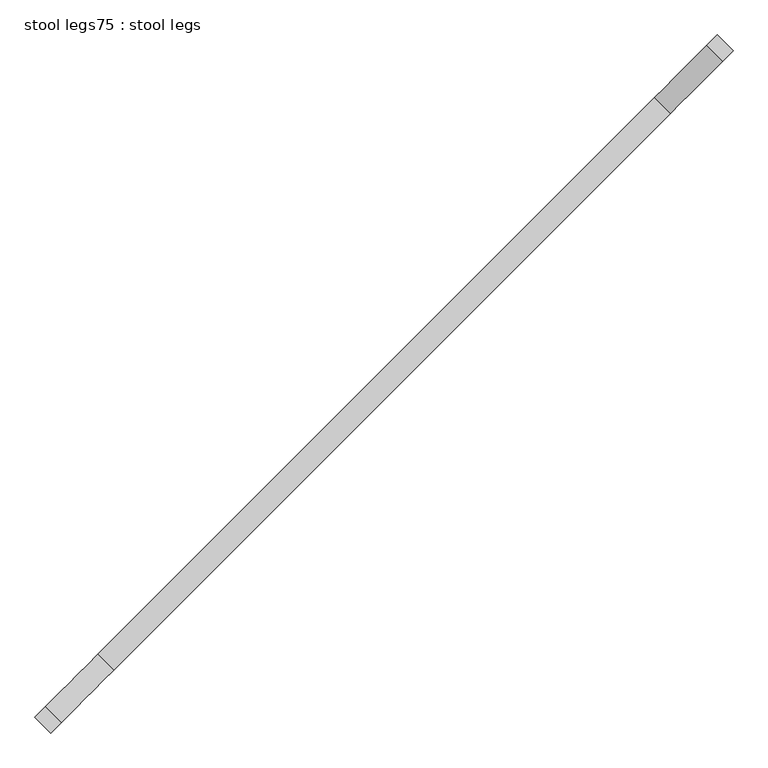
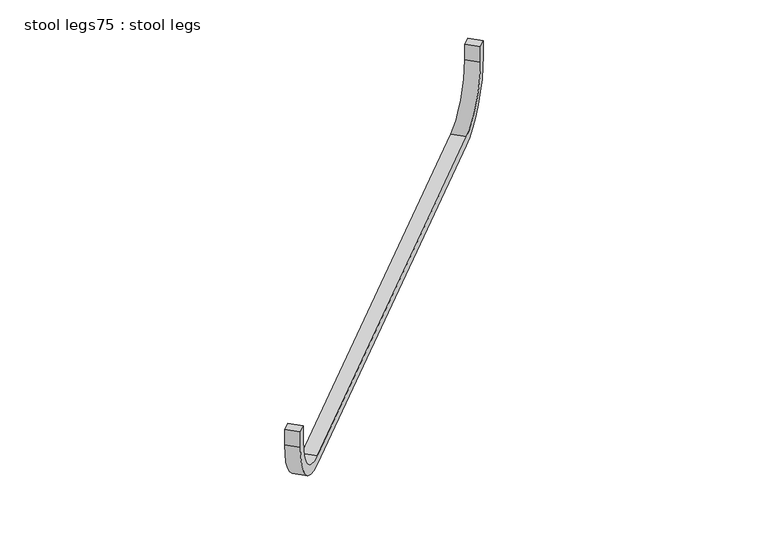
"""IFC4 building model written with IfcOpenShell, lengths in millimetres: furniture geometry, stool legs75 : stool legs."""

from ifc_helpers import new_model, si_unit, point, frame, frame_2d, origin, place, context, project, spatial, polyline, circle_curve, trimmed, segment, composite_curve, outline, extrude, source, transform, mapped, element, save


def stool_legs75_stool_legs_ea757934(model_context):
    return source(origin(), model_context, "Body", "SweptSolid", [
        extrude(outline(composite_curve([segment(polyline([(-44.45, 0.0), (0.0, 0.0), (0.0, -25.4), (-44.45, -25.4)]), True, "CONTINUOUS"), segment(trimmed(circle_curve(frame_2d((-44.45, 127.0)), 152.4), [point((-44.45, -25.4))], [point((-196.85, 127.0))], False, "CARTESIAN"), True, "CONTINUOUS"), segment(polyline([(-196.85, 127.0), (-196.85, 1473.2)]), True, "CONTINUOUS"), segment(trimmed(circle_curve(frame_2d((-44.45, 1473.2)), 152.4), [point((-196.85, 1473.2))], [point((-44.45, 1625.6))], False, "CARTESIAN"), True, "CONTINUOUS"), segment(polyline([(-44.45, 1625.6), (0.0, 1625.6), (0.0, 1600.2), (-44.45, 1600.2)]), True, "CONTINUOUS"), segment(trimmed(circle_curve(frame_2d((-44.45, 1473.2)), 127.0), [point((-44.45, 1600.2))], [point((-171.45, 1473.2))], True, "CARTESIAN"), True, "CONTINUOUS"), segment(polyline([(-171.45, 1473.2), (-171.45, 127.0)]), True, "CONTINUOUS"), segment(trimmed(circle_curve(frame_2d((-44.45, 127.0)), 127.0), [point((-171.45, 127.0))], [point((-44.45, 0.0))], True, "CARTESIAN"), True, "CONTINUOUS")], self_intersect=False)), frame((-120471.6833682, -37331.8715364, 457.2), z_axis=(-0.707106781186561, 0.707106781186534, 0.0), x_axis=(0.0, 0.0, 1.0)), (0.0, 0.0, 1.0), 38.1),
    ])


if __name__ == "__main__":
    model = new_model("IFC4")
    model_context = context("Model", 3, world=origin())
    ifc_project = project(units=[si_unit("LENGTHUNIT", "METRE", prefix="MILLI")], contexts=[model_context])
    site = spatial("IfcSite", under=ifc_project)
    building = spatial("IfcBuilding", under=site)
    placement = place(None, origin())
    stool_legs75_stool_legs_shape = stool_legs75_stool_legs_ea757934(model_context)
    element("IfcFurniture", 1, ObjectType="stool legs75 : stool legs", at=placement, inside=building, context=model_context, shape_type="MappedRepresentation", body=[
        mapped(stool_legs75_stool_legs_shape, transform((0.0, 0.0, 0.0), x_axis=(1.0, 0.0, 0.0), y_axis=(0.0, 1.0, 0.0), z_axis=(0.0, 0.0, 1.0))),
    ])
    save(model, "model.ifc")
